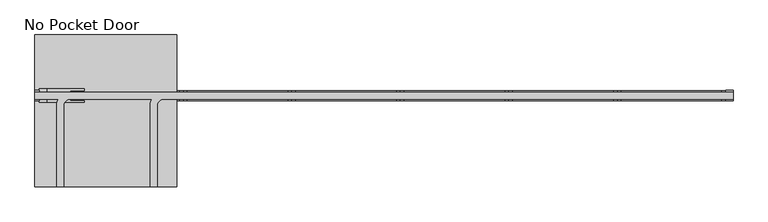
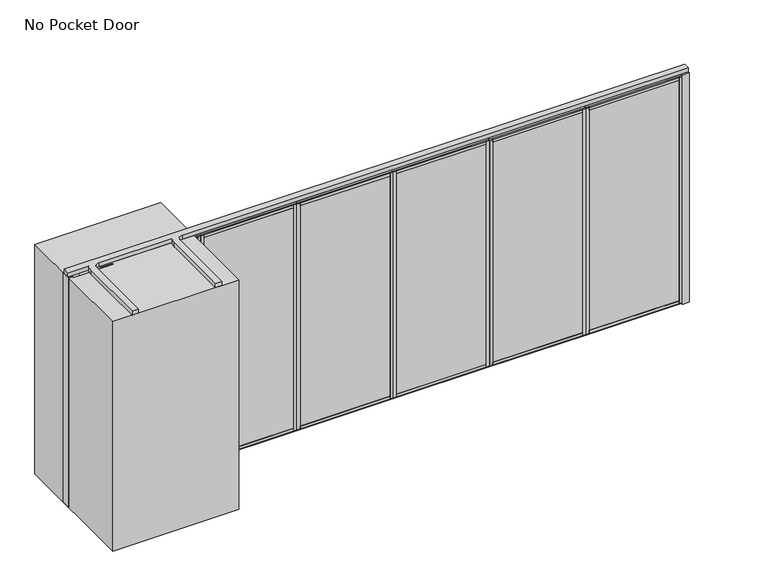
"""IFC4 building model written with IfcOpenShell, lengths in millimetres: proxy geometry, No Pocket Door."""

from ifc_helpers import new_model, si_unit, point, frame, frame_2d, origin, origin_with_axes, place, context, project, spatial, polyline, circle_curve, trimmed, segment, composite_curve, outline, extrude, source, transform, mapped, element, save


def no_pocket_door_23b397ea(model_context):
    return source(origin(), model_context, "Body", "SweptSolid", [
        extrude(outline(polyline([(3307.761883, 34.13125), (4396.2577164, 34.13125), (4396.2577164, -34.13125), (3307.761883, -34.13125), (3307.761883, 34.13125)])), origin_with_axes(), (0.0, 0.0, 1.0), 22.225),
        extrude(outline(polyline([(3307.761883, 34.13125), (4396.2577164, 34.13125), (4396.2577164, -34.13125), (3307.761883, -34.13125), (3307.761883, 34.13125)])), frame((0.0, 0.0, 2720.975), z_axis=(0.0, 0.0, 1.0), x_axis=(1.0, 0.0, 0.0)), (0.0, 0.0, 1.0), 22.225),
        extrude(outline(polyline([(3342.940883, -50.8), (3308.015883, -50.8), (3308.015883, 50.8), (3342.940883, 50.8), (3342.940883, -50.8)])), frame((0.0, 0.0, 22.225), z_axis=(0.0, 0.0, 1.0), x_axis=(1.0, 0.0, 0.0)), (0.0, 0.0, 1.0), 2698.75),
        extrude(outline(polyline([(4361.0787164, -50.8), (4361.0787164, 50.8), (4396.0037164, 50.8), (4396.0037164, -50.8), (4361.0787164, -50.8)])), frame((0.0, 0.0, 22.225), z_axis=(0.0, 0.0, 1.0), x_axis=(1.0, 0.0, 0.0)), (0.0, 0.0, 1.0), 2698.75),
        extrude(outline(polyline([(0.0, 9.525), (1063.0958334, 9.525), (1063.0958334, 0.0), (0.0, 0.0), (0.0, 9.525)])), frame((4383.5577164, -36.5125, 52.3875), z_axis=(0.0, 1.4530598946293796e-12, 1.0), x_axis=(-1.0, 0.0, 0.0)), (0.0, 0.0, 1.0), 2638.425),
        extrude(outline(polyline([(0.0, 7.9375), (1063.0958334, 7.9375), (1063.0958334, 0.0), (0.0, 0.0), (0.0, 7.9375)])), frame((4383.5577164, 44.45, 52.3875), z_axis=(0.0, -1.775646296664526e-12, 1.0), x_axis=(-1.0, 0.0, 0.0)), (0.0, 0.0, 1.0), 2638.425),
        extrude(outline(polyline([(36.5125, 2605.0875), (-36.5125, 2605.0875), (-36.5125, 2690.8125), (-50.8, 2690.8125), (-50.8, 2720.975), (50.8, 2720.975), (50.8, 2690.8125), (36.5125, 2690.8125), (36.5125, 2605.0875)])), frame((3342.940883, 0.0, 0.0), z_axis=(1.0, 0.0, 0.0), x_axis=(0.0, 1.0, 0.0)), (0.0, 0.0, 1.0), 1018.1378333),
        extrude(outline(polyline([(50.8, 22.225), (-50.8, 22.225), (-50.8, 52.3875), (-36.5125, 52.3875), (-36.5125, 138.1125), (36.5125, 138.1125), (36.5125, 52.3875), (50.8, 52.3875), (50.8, 22.225)])), frame((3342.940883, 0.0, 0.0), z_axis=(1.0, 0.0, 0.0), x_axis=(0.0, 1.0, 0.0)), (0.0, 0.0, 1.0), 1018.1378333),
        extrude(outline(polyline([(2219.2660497, 34.13125), (3307.761883, 34.13125), (3307.761883, -34.13125), (2219.2660497, -34.13125), (2219.2660497, 34.13125)])), origin_with_axes(), (0.0, 0.0, 1.0), 22.225),
        extrude(outline(polyline([(2219.2660497, 34.13125), (3307.761883, 34.13125), (3307.761883, -34.13125), (2219.2660497, -34.13125), (2219.2660497, 34.13125)])), frame((0.0, 0.0, 2720.975), z_axis=(0.0, 0.0, 1.0), x_axis=(1.0, 0.0, 0.0)), (0.0, 0.0, 1.0), 22.225),
        extrude(outline(polyline([(2254.4450497, -50.8), (2219.5200497, -50.8), (2219.5200497, 50.8), (2254.4450497, 50.8), (2254.4450497, -50.8)])), frame((0.0, 0.0, 22.225), z_axis=(0.0, 0.0, 1.0), x_axis=(1.0, 0.0, 0.0)), (0.0, 0.0, 1.0), 2698.75),
        extrude(outline(polyline([(3272.582883, -50.8), (3272.582883, 50.8), (3307.507883, 50.8), (3307.507883, -50.8), (3272.582883, -50.8)])), frame((0.0, 0.0, 22.225), z_axis=(0.0, 0.0, 1.0), x_axis=(1.0, 0.0, 0.0)), (0.0, 0.0, 1.0), 2698.75),
        extrude(outline(polyline([(0.0, 9.525), (1063.0958333, 9.525), (1063.0958333, 0.0), (0.0, 0.0), (0.0, 9.525)])), frame((3295.061883, -36.5125, 52.3875), z_axis=(0.0, 1.4530598946293796e-12, 1.0), x_axis=(-1.0, 0.0, 0.0)), (0.0, 0.0, 1.0), 2638.425),
        extrude(outline(polyline([(0.0, 7.9375), (1063.0958333, 7.9375), (1063.0958333, 0.0), (0.0, 0.0), (0.0, 7.9375)])), frame((3295.061883, 44.45, 52.3875), z_axis=(0.0, -1.775646296664526e-12, 1.0), x_axis=(-1.0, 0.0, 0.0)), (0.0, 0.0, 1.0), 2638.425),
        extrude(outline(polyline([(36.5125, 2605.0875), (-36.5125, 2605.0875), (-36.5125, 2690.8125), (-50.8, 2690.8125), (-50.8, 2720.975), (50.8, 2720.975), (50.8, 2690.8125), (36.5125, 2690.8125), (36.5125, 2605.0875)])), frame((2254.4450497, 0.0, 0.0), z_axis=(1.0, 0.0, 0.0), x_axis=(0.0, 1.0, 0.0)), (0.0, 0.0, 1.0), 1018.1378333),
        extrude(outline(polyline([(50.8, 22.225), (-50.8, 22.225), (-50.8, 52.3875), (-36.5125, 52.3875), (-36.5125, 138.1125), (36.5125, 138.1125), (36.5125, 52.3875), (50.8, 52.3875), (50.8, 22.225)])), frame((2254.4450497, 0.0, 0.0), z_axis=(1.0, 0.0, 0.0), x_axis=(0.0, 1.0, 0.0)), (0.0, 0.0, 1.0), 1018.1378333),
        extrude(outline(polyline([(1130.7702164, 34.13125), (2219.2660497, 34.13125), (2219.2660497, -34.13125), (1130.7702164, -34.13125), (1130.7702164, 34.13125)])), origin_with_axes(), (0.0, 0.0, 1.0), 22.225),
        extrude(outline(polyline([(1130.7702164, 34.13125), (2219.2660497, 34.13125), (2219.2660497, -34.13125), (1130.7702164, -34.13125), (1130.7702164, 34.13125)])), frame((0.0, 0.0, 2720.975), z_axis=(0.0, 0.0, 1.0), x_axis=(1.0, 0.0, 0.0)), (0.0, 0.0, 1.0), 22.225),
        extrude(outline(polyline([(1165.9492164, -50.8), (1131.0242164, -50.8), (1131.0242164, 50.8), (1165.9492164, 50.8), (1165.9492164, -50.8)])), frame((0.0, 0.0, 22.225), z_axis=(0.0, 0.0, 1.0), x_axis=(1.0, 0.0, 0.0)), (0.0, 0.0, 1.0), 2698.75),
        extrude(outline(polyline([(2184.0870497, -50.8), (2184.0870497, 50.8), (2219.0120497, 50.8), (2219.0120497, -50.8), (2184.0870497, -50.8)])), frame((0.0, 0.0, 22.225), z_axis=(0.0, 0.0, 1.0), x_axis=(1.0, 0.0, 0.0)), (0.0, 0.0, 1.0), 2698.75),
        extrude(outline(polyline([(0.0, 9.525), (1063.0958333, 9.525), (1063.0958333, 0.0), (0.0, 0.0), (0.0, 9.525)])), frame((2206.5660497, -36.5125, 52.3875), z_axis=(0.0, 1.4530598946293796e-12, 1.0), x_axis=(-1.0, 0.0, 0.0)), (0.0, 0.0, 1.0), 2638.425),
        extrude(outline(polyline([(0.0, 7.9375), (1063.0958333, 7.9375), (1063.0958333, 0.0), (0.0, 0.0), (0.0, 7.9375)])), frame((2206.5660497, 44.45, 52.3875), z_axis=(0.0, -1.775646296664526e-12, 1.0), x_axis=(-1.0, 0.0, 0.0)), (0.0, 0.0, 1.0), 2638.425),
        extrude(outline(polyline([(36.5125, 2605.0875), (-36.5125, 2605.0875), (-36.5125, 2690.8125), (-50.8, 2690.8125), (-50.8, 2720.975), (50.8, 2720.975), (50.8, 2690.8125), (36.5125, 2690.8125), (36.5125, 2605.0875)])), frame((1165.9492164, 0.0, 0.0), z_axis=(1.0, 0.0, 0.0), x_axis=(0.0, 1.0, 0.0)), (0.0, 0.0, 1.0), 1018.1378333),
        extrude(outline(polyline([(50.8, 22.225), (-50.8, 22.225), (-50.8, 52.3875), (-36.5125, 52.3875), (-36.5125, 138.1125), (36.5125, 138.1125), (36.5125, 52.3875), (50.8, 52.3875), (50.8, 22.225)])), frame((1165.9492164, 0.0, 0.0), z_axis=(1.0, 0.0, 0.0), x_axis=(0.0, 1.0, 0.0)), (0.0, 0.0, 1.0), 1018.1378333),
        extrude(outline(polyline([(4396.2577164, 34.13125), (5484.7535497, 34.13125), (5484.7535497, -34.13125), (4396.2577164, -34.13125), (4396.2577164, 34.13125)])), origin_with_axes(), (0.0, 0.0, 1.0), 22.225),
        extrude(outline(polyline([(4396.2577164, 34.13125), (5484.7535497, 34.13125), (5484.7535497, -34.13125), (4396.2577164, -34.13125), (4396.2577164, 34.13125)])), frame((0.0, 0.0, 2720.975), z_axis=(0.0, 0.0, 1.0), x_axis=(1.0, 0.0, 0.0)), (0.0, 0.0, 1.0), 22.225),
        extrude(outline(polyline([(4431.4367164, -50.8), (4396.5117164, -50.8), (4396.5117164, 50.8), (4431.4367164, 50.8), (4431.4367164, -50.8)])), frame((0.0, 0.0, 22.225), z_axis=(0.0, 0.0, 1.0), x_axis=(1.0, 0.0, 0.0)), (0.0, 0.0, 1.0), 2698.75),
        extrude(outline(polyline([(5449.5745497, -50.8), (5449.5745497, 50.8), (5484.4995497, 50.8), (5484.4995497, -50.8), (5449.5745497, -50.8)])), frame((0.0, 0.0, 22.225), z_axis=(0.0, 0.0, 1.0), x_axis=(1.0, 0.0, 0.0)), (0.0, 0.0, 1.0), 2698.75),
        extrude(outline(polyline([(0.0, 9.525), (1063.0958333, 9.525), (1063.0958333, 0.0), (0.0, 0.0), (0.0, 9.525)])), frame((5472.0535497, -36.5125, 52.3875), z_axis=(0.0, 1.4530598946293796e-12, 1.0), x_axis=(-1.0, 0.0, 0.0)), (0.0, 0.0, 1.0), 2638.425),
        extrude(outline(polyline([(0.0, 7.9375), (1063.0958333, 7.9375), (1063.0958333, 0.0), (0.0, 0.0), (0.0, 7.9375)])), frame((5472.0535497, 44.45, 52.3875), z_axis=(0.0, -1.775646296664526e-12, 1.0), x_axis=(-1.0, 0.0, 0.0)), (0.0, 0.0, 1.0), 2638.425),
        extrude(outline(polyline([(36.5125, 2605.0875), (-36.5125, 2605.0875), (-36.5125, 2690.8125), (-50.8, 2690.8125), (-50.8, 2720.975), (50.8, 2720.975), (50.8, 2690.8125), (36.5125, 2690.8125), (36.5125, 2605.0875)])), frame((4431.4367164, 0.0, 0.0), z_axis=(1.0, 0.0, 0.0), x_axis=(0.0, 1.0, 0.0)), (0.0, 0.0, 1.0), 1018.1378333),
        extrude(outline(polyline([(50.8, 22.225), (-50.8, 22.225), (-50.8, 52.3875), (-36.5125, 52.3875), (-36.5125, 138.1125), (36.5125, 138.1125), (36.5125, 52.3875), (50.8, 52.3875), (50.8, 22.225)])), frame((4431.4367164, 0.0, 0.0), z_axis=(1.0, 0.0, 0.0), x_axis=(0.0, 1.0, 0.0)), (0.0, 0.0, 1.0), 1018.1378333),
        extrude(outline(polyline([(-44.846875, 914.4), (-44.846875, 952.5), (-50.8, 952.5), (-50.8, 1143.0), (-44.846875, 1143.0), (-44.846875, 1181.1), (0.0, 1181.1), (46.2359375, 1181.1), (46.2359375, 1143.0), (50.8, 1143.0), (50.8, 952.5), (46.2359375, 952.5), (46.2359375, 914.4), (0.0, 914.4), (-44.846875, 914.4)])), frame((-1058.6674503, 0.0, 0.0), z_axis=(1.0, 0.0, 0.0), x_axis=(0.0, 1.0, 0.0)), (0.0, 0.0, 1.0), 1065.7628333),
        extrude(outline(polyline([(42.274383, -34.13125), (-1093.8464503, -34.13125), (-1093.8464503, 34.13125), (42.274383, 34.13125), (42.274383, -34.13125)])), origin_with_axes(), (0.0, 0.0, 1.0), 22.225),
        extrude(outline(polyline([(42.274383, -34.13125), (-1093.8464503, -34.13125), (-1093.8464503, 34.13125), (42.274383, 34.13125), (42.274383, -34.13125)])), frame((0.0, 0.0, 2720.975), z_axis=(0.0, 0.0, 1.0), x_axis=(1.0, 0.0, 0.0)), (0.0, 0.0, 1.0), 22.225),
        extrude(outline(polyline([(7.095383, 50.8), (42.020383, 50.8), (42.020383, -50.8), (7.095383, -50.8), (7.095383, 50.8)])), frame((0.0, 0.0, 22.225), z_axis=(0.0, 0.0, 1.0), x_axis=(1.0, 0.0, 0.0)), (0.0, 0.0, 1.0), 2698.75),
        extrude(outline(polyline([(-1058.6674503, 50.8), (-1058.6674503, -50.8), (-1093.5924503, -50.8), (-1093.5924503, 50.8), (-1058.6674503, 50.8)])), frame((0.0, 0.0, 22.225), z_axis=(0.0, 0.0, 1.0), x_axis=(1.0, 0.0, 0.0)), (0.0, 0.0, 1.0), 2698.75),
        extrude(outline(polyline([(0.0, 9.525), (1110.7208333, 9.525), (1110.7208333, 0.0), (0.0, 0.0), (0.0, 9.525)])), frame((-1081.1464503, 36.5125, 52.3875), z_axis=(0.0, -1.4530598946293796e-12, 1.0), x_axis=(1.0, 0.0, 0.0)), (0.0, 0.0, 1.0), 2638.425),
        extrude(outline(polyline([(0.0, 7.9375), (1110.7208333, 7.9375), (1110.7208333, 0.0), (0.0, 0.0), (0.0, 7.9375)])), frame((-1081.1464503, -44.45, 52.3875), z_axis=(0.0, 1.775646296664526e-12, 1.0), x_axis=(1.0, 0.0, 0.0)), (0.0, 0.0, 1.0), 2638.425),
        extrude(outline(polyline([(-36.5125, 2605.0875), (-36.5125, 2690.8125), (-50.8, 2690.8125), (-50.8, 2720.975), (50.8, 2720.975), (50.8, 2690.8125), (36.5125, 2690.8125), (36.5125, 2605.0875), (-36.5125, 2605.0875)])), frame((-1058.6674503, 0.0, 0.0), z_axis=(1.0, 0.0, 0.0), x_axis=(0.0, 1.0, 0.0)), (0.0, 0.0, 1.0), 1065.7628333),
        extrude(outline(polyline([(-50.8, 22.225), (-50.8, 52.3875), (-36.5125, 52.3875), (-36.5125, 138.1125), (36.5125, 138.1125), (36.5125, 52.3875), (50.8, 52.3875), (50.8, 22.225), (-50.8, 22.225)])), frame((-1058.6674503, 0.0, 0.0), z_axis=(1.0, 0.0, 0.0), x_axis=(0.0, 1.0, 0.0)), (0.0, 0.0, 1.0), 1065.7628333),
        extrude(outline(polyline([(-1404.9964503, -53.975), (-1449.4464503, -53.975), (-1449.4464503, 53.975), (-1404.9964503, 53.975), (-1404.9964503, -53.975)])), origin_with_axes(), (0.0, 0.0, 1.0), 2743.2),
        extrude(outline(polyline([(-1331.9714503, -68.2625), (-1404.9964503, -68.2625), (-1404.9964503, 68.2625), (-1331.9714503, 68.2625), (-1331.9714503, -68.2625)])), origin_with_axes(), (0.0, 0.0, 1.0), 2743.2),
        extrude(outline(polyline([(-954.1464503, -68.2625), (-1331.9714503, -68.2625), (-1331.9714503, 68.2625), (-954.1464503, 68.2625), (-954.1464503, 50.8), (-1093.8464503, 50.8), (-1093.8464503, -50.8), (-954.1464503, -50.8), (-954.1464503, -68.2625)])), origin_with_axes(), (0.0, 0.0, 1.0), 2743.2),
        extrude(outline(polyline([(5560.9535497, -53.975), (5484.7535497, -53.975), (5484.7535497, 53.975), (5560.9535497, 53.975), (5560.9535497, -53.975)])), origin_with_axes(), (0.0, 0.0, 1.0), 2743.2),
        extrude(outline(polyline([(42.274383, 34.13125), (1130.7702164, 34.13125), (1130.7702164, -34.13125), (42.274383, -34.13125), (42.274383, 34.13125)])), origin_with_axes(), (0.0, 0.0, 1.0), 22.225),
        extrude(outline(polyline([(42.274383, 34.13125), (1130.7702164, 34.13125), (1130.7702164, -34.13125), (42.274383, -34.13125), (42.274383, 34.13125)])), frame((0.0, 0.0, 2720.975), z_axis=(0.0, 0.0, 1.0), x_axis=(1.0, 0.0, 0.0)), (0.0, 0.0, 1.0), 22.225),
        extrude(outline(polyline([(77.453383, -50.8), (42.528383, -50.8), (42.528383, 50.8), (77.453383, 50.8), (77.453383, -50.8)])), frame((0.0, 0.0, 22.225), z_axis=(0.0, 0.0, 1.0), x_axis=(1.0, 0.0, 0.0)), (0.0, 0.0, 1.0), 2698.75),
        extrude(outline(polyline([(1095.5912164, -50.8), (1095.5912164, 50.8), (1130.5162164, 50.8), (1130.5162164, -50.8), (1095.5912164, -50.8)])), frame((0.0, 0.0, 22.225), z_axis=(0.0, 0.0, 1.0), x_axis=(1.0, 0.0, 0.0)), (0.0, 0.0, 1.0), 2698.75),
        extrude(outline(polyline([(0.0, 9.525), (1063.0958334, 9.525), (1063.0958334, 0.0), (0.0, 0.0), (0.0, 9.525)])), frame((1118.0702164, -36.5125, 52.3875), z_axis=(0.0, 1.4530598946293796e-12, 1.0), x_axis=(-1.0, 0.0, 0.0)), (0.0, 0.0, 1.0), 2638.425),
        extrude(outline(polyline([(0.0, 7.9375), (1063.0958334, 7.9375), (1063.0958334, 0.0), (0.0, 0.0), (0.0, 7.9375)])), frame((1118.0702164, 44.45, 52.3875), z_axis=(0.0, -1.775646296664526e-12, 1.0), x_axis=(-1.0, 0.0, 0.0)), (0.0, 0.0, 1.0), 2638.425),
        extrude(outline(polyline([(36.5125, 2605.0875), (-36.5125, 2605.0875), (-36.5125, 2690.8125), (-50.8, 2690.8125), (-50.8, 2720.975), (50.8, 2720.975), (50.8, 2690.8125), (36.5125, 2690.8125), (36.5125, 2605.0875)])), frame((77.453383, 0.0, 0.0), z_axis=(1.0, 0.0, 0.0), x_axis=(0.0, 1.0, 0.0)), (0.0, 0.0, 1.0), 1018.1378333),
        extrude(outline(polyline([(50.8, 22.225), (-50.8, 22.225), (-50.8, 52.3875), (-36.5125, 52.3875), (-36.5125, 138.1125), (36.5125, 138.1125), (36.5125, 52.3875), (50.8, 52.3875), (50.8, 22.225)])), frame((77.453383, 0.0, 0.0), z_axis=(1.0, 0.0, 0.0), x_axis=(0.0, 1.0, 0.0)), (0.0, 0.0, 1.0), 1018.1378333),
        extrude(outline(polyline([(-27.0464503, 609.6), (-27.0464503, -914.4), (-1449.4464503, -914.4), (-1449.4464503, 609.6), (-27.0464503, 609.6)])), origin_with_axes(), (0.0, 0.0, 1.0), 2743.2),
        extrude(outline(composite_curve([segment(polyline([(-1449.4464503, 35.71875), (5560.9535497, 35.71875), (5560.9535497, -35.71875), (-154.0464503, -35.71875)]), True, "CONTINUOUS"), segment(trimmed(circle_curve(frame_2d((-154.0464503, -101.6)), 65.88125), [point((-154.0464503, -35.71875))], [point((-219.9277003, -101.6))], True, "CARTESIAN"), True, "CONTINUOUS"), segment(polyline([(-219.9277003, -101.6), (-219.9277003, -914.4), (-291.3652003, -914.4), (-291.3652003, -101.6)]), True, "CONTINUOUS"), segment(trimmed(circle_curve(frame_2d((-154.0464503, -101.6)), 137.31875), [point((-291.3652003, -101.6))], [point((-274.5292291, -35.71875))], False, "CARTESIAN"), True, "CONTINUOUS"), segment(polyline([(-274.5292291, -35.71875), (-1093.8464503, -35.71875)]), True, "CONTINUOUS"), segment(trimmed(circle_curve(frame_2d((-1093.8464503, -101.6)), 65.88125), [point((-1093.8464503, -35.71875))], [point((-1159.7277003, -101.6))], True, "CARTESIAN"), True, "CONTINUOUS"), segment(polyline([(-1159.7277003, -101.6), (-1159.7277003, -914.4), (-1231.1652003, -914.4), (-1231.1652003, -101.6)]), True, "CONTINUOUS"), segment(trimmed(circle_curve(frame_2d((-1093.8464503, -101.6)), 137.31875), [point((-1231.1652003, -101.6))], [point((-1214.3292291, -35.71875))], False, "CARTESIAN"), True, "CONTINUOUS"), segment(polyline([(-1214.3292291, -35.71875), (-1449.4464503, -35.71875), (-1449.4464503, 35.71875)]), True, "CONTINUOUS")], self_intersect=False)), frame((0.0, 0.0, 2743.2), z_axis=(0.0, 0.0, 1.0), x_axis=(1.0, 0.0, 0.0)), (0.0, 0.0, 1.0), 50.8),
    ])


if __name__ == "__main__":
    model = new_model("IFC4")
    model_context = context("Model", 3, world=origin())
    ifc_project = project(units=[si_unit("LENGTHUNIT", "METRE", prefix="MILLI")], contexts=[model_context])
    site = spatial("IfcSite", under=ifc_project)
    building = spatial("IfcBuilding", under=site)
    placement = place(None, origin())
    no_pocket_door_shape = no_pocket_door_23b397ea(model_context)
    element("IfcBuildingElementProxy", 1, Name="No Pocket Door", ObjectType="No Pocket Door", at=placement, inside=building, context=model_context, shape_type="MappedRepresentation", body=[
        mapped(no_pocket_door_shape, transform((0.0, 0.0, 0.0), x_axis=(1.0, 0.0, 0.0), y_axis=(0.0, 1.0, 0.0), z_axis=(0.0, 0.0, 1.0))),
    ])
    save(model, "model.ifc")
